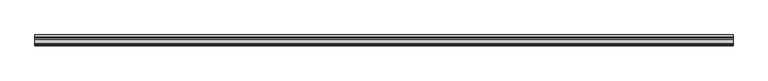
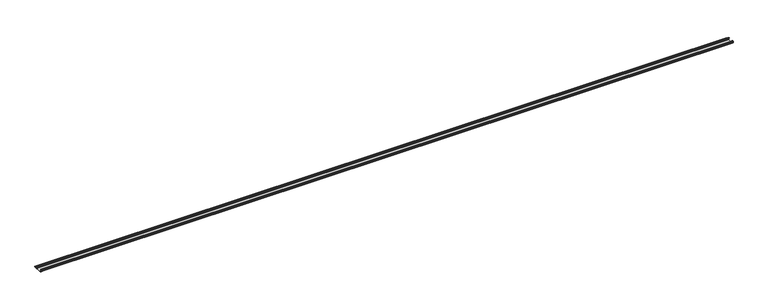
"""IFC4 building model written with IfcOpenShell, lengths in millimetres: proxy geometry."""

from ifc_helpers import new_model, si_unit, point, frame, frame_2d, origin, place, context, project, spatial, polyline, circle_curve, trimmed, segment, composite_curve, outline, extrude, source, transform, mapped, element, save


def generic_models_5d642c7e(model_context):
    return source(origin(), model_context, "Body", "SweptSolid", [
        extrude(outline(composite_curve([segment(trimmed(circle_curve(frame_2d((-62.6503601, 1.8496399)), 1.8496399), [point((-62.6503601, 0.0))], [point((-64.5, 1.8496399))], False, "CARTESIAN"), True, "CONTINUOUS"), segment(polyline([(-64.5, 1.8496399), (-64.5, 5.954427)]), True, "CONTINUOUS"), segment(trimmed(circle_curve(frame_2d((-66.20622, 5.954427)), 1.70622), [point((-64.5, 5.954427))], [point((-65.4316123, 7.4746802))], True, "CARTESIAN"), True, "CONTINUOUS"), segment(polyline([(-65.4316123, 7.4746802), (-72.6810737, 11.1684652)]), True, "CONTINUOUS"), segment(trimmed(circle_curve(frame_2d((-71.168691, 14.1366832)), 3.331309), [point((-72.6810737, 11.1684652))], [point((-74.5, 14.1366832))], False, "CARTESIAN"), True, "CONTINUOUS"), segment(polyline([(-74.5, 14.1366832), (-74.5, 20.1779423)]), True, "CONTINUOUS"), segment(trimmed(circle_curve(frame_2d((-71.9904423, 20.1779423)), 2.5095577), [point((-74.5, 20.1779423))], [point((-71.9904423, 22.6875))], False, "CARTESIAN"), True, "CONTINUOUS"), segment(polyline([(-71.9904423, 22.6875), (-70.5, 22.6875), (-70.5, 20.6875), (-71.7785709, 20.6875)]), True, "CONTINUOUS"), segment(trimmed(circle_curve(frame_2d((-71.7785709, 19.9660709)), 0.7214291), [point((-71.7785709, 20.6875))], [point((-72.5, 19.9660709))], True, "CARTESIAN"), True, "CONTINUOUS"), segment(polyline([(-72.5, 19.9660709), (-72.5, 14.7749524)]), True, "CONTINUOUS"), segment(trimmed(circle_curve(frame_2d((-70.1271304, 14.7749524)), 2.3728696), [point((-72.5, 14.7749524))], [point((-71.2043907, 12.6607101))], True, "CARTESIAN"), True, "CONTINUOUS"), segment(polyline([(-71.2043907, 12.6607101), (-64.0754216, 9.028319)]), True, "CONTINUOUS"), segment(trimmed(circle_curve(frame_2d((-65.3853373, 6.4574646)), 2.8853373), [point((-64.0754216, 9.028319))], [point((-62.5, 6.4574646))], False, "CARTESIAN"), True, "CONTINUOUS"), segment(polyline([(-62.5, 6.4574646), (-62.5, 4.1283032)]), True, "CONTINUOUS"), segment(trimmed(circle_curve(frame_2d((-60.3716968, 4.1283032)), 2.1283032), [point((-62.5, 4.1283032))], [point((-60.3716968, 2.0))], True, "CARTESIAN"), True, "CONTINUOUS"), segment(polyline([(-60.3716968, 2.0), (-24.1498681, 2.0)]), True, "CONTINUOUS"), segment(trimmed(circle_curve(frame_2d((-24.1498681, 4.6498681)), 2.6498681), [point((-24.1498681, 2.0))], [point((-21.5, 4.6498681))], True, "CARTESIAN"), True, "CONTINUOUS"), segment(polyline([(-21.5, 4.6498681), (-21.5, 11.0762745)]), True, "CONTINUOUS"), segment(trimmed(circle_curve(frame_2d((-24.2710864, 11.0762745)), 2.7710864), [point((-21.5, 11.0762745))], [point((-23.0130395, 13.5453305))], True, "CARTESIAN"), True, "CONTINUOUS"), segment(polyline([(-23.0130395, 13.5453305), (-31.0115672, 17.620784), (-31.0115672, 19.8654365), (-21.2217486, 14.8772747)]), True, "CONTINUOUS"), segment(trimmed(circle_curve(frame_2d((-22.6533308, 12.0676364)), 3.1533308), [point((-21.2217486, 14.8772747))], [point((-19.5, 12.0676364))], False, "CARTESIAN"), True, "CONTINUOUS"), segment(polyline([(-19.5, 12.0676364), (-19.5, 4.4365856)]), True, "CONTINUOUS"), segment(trimmed(circle_curve(frame_2d((-17.0634144, 4.4365856)), 2.4365856), [point((-19.5, 4.4365856))], [point((-17.0634144, 2.0))], True, "CARTESIAN"), True, "CONTINUOUS"), segment(polyline([(-17.0634144, 2.0), (0.0, 2.0), (0.0, 0.0), (-62.6503601, 0.0)]), True, "CONTINUOUS")], self_intersect=False)), frame((0.0, 0.0, 0.0), z_axis=(1.0, 0.0, 0.0), x_axis=(0.0, 1.0, 0.0)), (0.0, 0.0, 1.0), 4770.0),
    ])


if __name__ == "__main__":
    model = new_model("IFC4")
    model_context = context("Model", 3, world=origin())
    ifc_project = project(units=[si_unit("LENGTHUNIT", "METRE", prefix="MILLI")], contexts=[model_context])
    site = spatial("IfcSite", under=ifc_project)
    building = spatial("IfcBuilding", under=site)
    placement = place(None, origin())
    generic_models_shape = generic_models_5d642c7e(model_context)
    element("IfcBuildingElementProxy", 1, Name="Generic Models", at=placement, inside=building, context=model_context, shape_type="MappedRepresentation", body=[
        mapped(generic_models_shape, transform((0.0, 0.0, 0.0), x_axis=(1.0, 0.0, 0.0), y_axis=(0.0, 1.0, 0.0), z_axis=(0.0, 0.0, 1.0))),
    ])
    save(model, "model.ifc")
